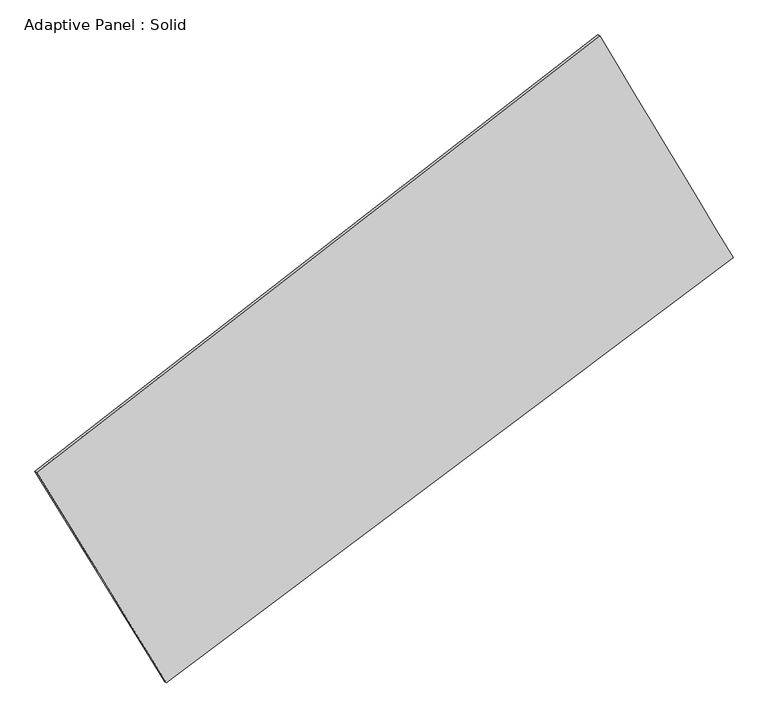
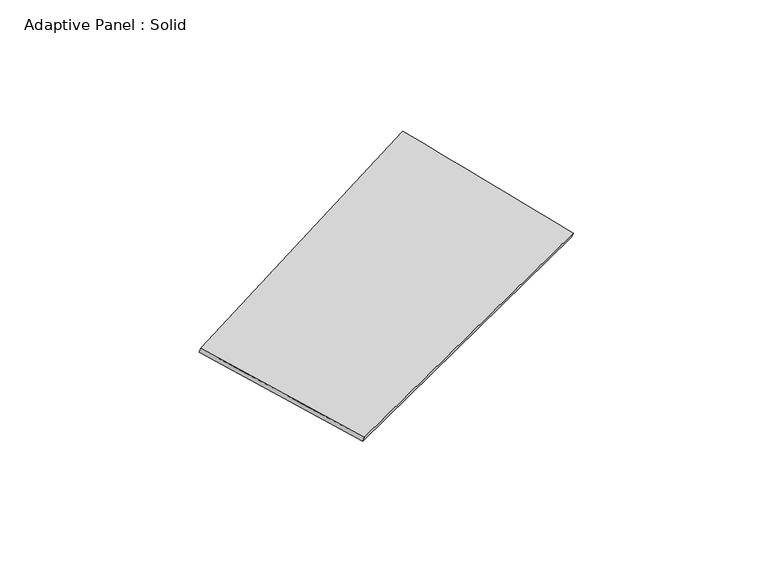
"""IFC4 building model written with IfcOpenShell, lengths in millimetres: plate geometry, Adaptive Panel : Solid."""

from ifc_helpers import new_model, si_unit, frame, origin, place, context, project, spatial, source, transform, mapped, element, save
from ifc_brep_helpers import plane_surface, spline_surface, advanced_brep


def adaptive_panel_solid_fd439850(model_context):
    return source(origin(), model_context, "Body", "AdvancedBrep", [
        advanced_brep(
        [(1115.5199323, 2576.2008549, 709.4308731), (-3495.6945165, -1003.7608357, 1604.2613737), (-3481.0281606, -1010.1409292, 1651.6342817), (1130.1862881, 2569.8207614, 756.8037811), (-2433.0272402, -2728.4169664, 1095.1454152), (-2418.3608844, -2734.7970599, 1142.5183232), (2209.9112463, 755.7283745, 76.2848583), (2224.5776021, 749.348281, 123.6577663)],
        [
            (0, 1),
            (1, 2),
            (2, 3),
            (3, 0),
            (1, 4),
            (4, 5),
            (5, 2),
            (4, 6),
            (6, 7),
            (7, 5),
            (6, 0),
            (3, 7),
        ],
        [
            plane_surface(frame((-1190.0872921, 786.2200096, 1156.8461234), z_axis=(-0.5549987158103695, 0.7842210291065942, 0.27744153069761424), x_axis=(-0.7807754921373866, -0.6061627325922272, 0.15151360497970412))),
            plane_surface(frame((-2964.3608784, -1866.0889011, 1349.7033944), z_axis=(-0.8136324566420841, -0.5536760723277264, 0.17732747229436707), x_axis=(0.5087561816710047, -0.8256859765876818, -0.24374128841455195))),
            plane_surface(frame((-111.557997, -986.344296, 585.7151367), z_axis=(0.5380738827495888, -0.7971401864206715, -0.27394163592998955), x_axis=(0.7877966565863747, 0.5911769149199323, -0.17287649677466513))),
            plane_surface(frame((1662.7155893, 1665.9646147, 392.8578657), z_axis=(0.8148183965079798, 0.5517265815733715, -0.17795718557430096), x_axis=(-0.49375683660256053, 0.8213430804597458, 0.2856566654029412))),
            spline_surface(1, 1, [[(-3481.0281606, -1010.1409292, 1651.6342817), (1130.1862881, 2569.8207614, 756.8037811)], [(-2418.3608844, -2734.7970599, 1142.5183232), (2224.5776021, 749.348281, 123.6577663)]], [2, 2], [2, 2], [0.0, 1.0], [0.0, 1.0]),
            spline_surface(1, 1, [[(2209.9112463, 755.7283745, 76.2848583), (1115.5199323, 2576.2008549, 709.4308731)], [(-2433.0272402, -2728.4169664, 1095.1454152), (-3495.6945165, -1003.7608357, 1604.2613737)]], [2, 2], [2, 2], [0.0, 1.0], [0.0, 1.0]),
        ],
        [
            (0, [[1, 2, 3, 4]]),
            (1, [[5, 6, 7, -2]]),
            (2, [[8, 9, 10, -6]]),
            (3, [[11, -4, 12, -9]]),
            (4, [[-3, -7, -10, -12]]),
            (5, [[-11, -8, -5, -1]]),
        ],
    ),
    ])


if __name__ == "__main__":
    model = new_model("IFC4")
    model_context = context("Model", 3, world=origin())
    ifc_project = project(units=[si_unit("LENGTHUNIT", "METRE", prefix="MILLI")], contexts=[model_context])
    site = spatial("IfcSite", under=ifc_project)
    building = spatial("IfcBuilding", under=site)
    placement = place(None, origin())
    adaptive_panel_solid_shape = adaptive_panel_solid_fd439850(model_context)
    element("IfcPlate", 1, ObjectType="Adaptive Panel : Solid", at=placement, inside=building, context=model_context, shape_type="MappedRepresentation", body=[
        mapped(adaptive_panel_solid_shape, transform((0.0, 0.0, 0.0), x_axis=(1.0, 0.0, 0.0), y_axis=(0.0, 1.0, 0.0), z_axis=(0.0, 0.0, 1.0))),
    ])
    save(model, "model.ifc")
